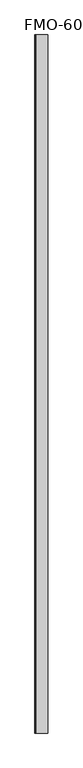
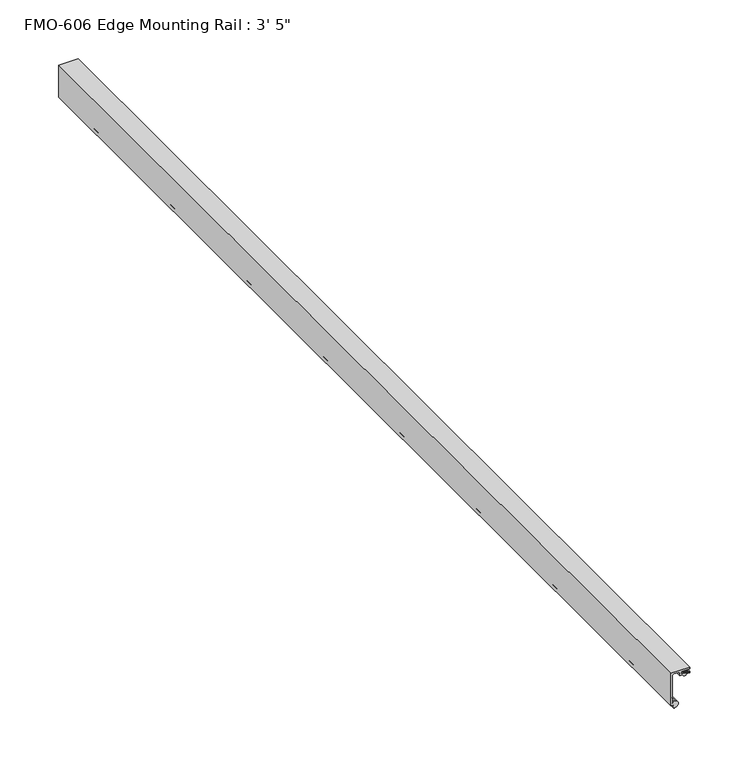
"""IFC4 building model written with IfcOpenShell, lengths in millimetres: proxy geometry."""

from ifc_helpers import new_model, si_unit, point, frame, frame_2d, origin, place, context, project, spatial, polyline, circle_curve, trimmed, segment, composite_curve, outline, extrude, source, transform, mapped, element, save


def proxy_4c382395(model_context):
    return source(origin(), model_context, "Body", "SweptSolid", [
        extrude(outline(composite_curve([segment(polyline([(48.6176322, 35.9236997), (48.6176322, 37.2312618)]), True, "CONTINUOUS"), segment(trimmed(circle_curve(frame_2d((47.0301322, 37.2312618)), 1.5875), [point((48.6176322, 37.2312618))], [point((47.0301322, 38.8187618))], True, "CARTESIAN"), True, "CONTINUOUS"), segment(polyline([(47.0301322, 38.8187618), (45.4574179, 38.8187618)]), True, "CONTINUOUS"), segment(trimmed(circle_curve(frame_2d((45.3336793, 39.2059792)), 0.4065077), [point((45.4574179, 38.8187618))], [point((45.0751662, 39.5196981))], False, "CARTESIAN"), True, "CONTINUOUS"), segment(polyline([(45.0751662, 39.5196981), (45.6413154, 41.3336309)]), True, "CONTINUOUS"), segment(trimmed(circle_curve(frame_2d((48.550892, 40.4255188)), 3.048), [point((45.6413154, 41.3336309))], [point((46.963392, 43.0274696))], False, "CARTESIAN"), True, "CONTINUOUS"), segment(trimmed(circle_curve(frame_2d((48.550892, 40.4255188)), 3.048), [point((46.963392, 43.0274696))], [point((51.4604687, 41.3336309))], False, "CARTESIAN"), True, "CONTINUOUS"), segment(polyline([(51.4604687, 41.3336309), (52.0728086, 39.3717038)]), True, "CONTINUOUS"), segment(trimmed(circle_curve(frame_2d((51.7314825, 39.1572577)), 0.4031012), [point((52.0728086, 39.3717038))], [point((51.5637963, 38.7906899))], False, "CARTESIAN"), True, "CONTINUOUS"), segment(polyline([(51.5637963, 38.7906899), (50.7457603, 38.6978589)]), True, "CONTINUOUS"), segment(trimmed(circle_curve(frame_2d((51.1576322, 38.0567618)), 0.762), [point((50.7457603, 38.6978589))], [point((50.3959129, 38.036083))], True, "CARTESIAN"), True, "CONTINUOUS"), segment(trimmed(circle_curve(frame_2d((50.9036322, 38.0191997)), 0.508), [point((50.3959129, 38.036083))], [point((50.9036322, 37.5111997))], True, "CARTESIAN"), True, "CONTINUOUS"), segment(polyline([(50.9036322, 37.5111997), (55.0841934, 37.4984997), (55.7538908, 37.0800263), (56.7754428, 37.0800263), (57.4451402, 37.4984997), (78.870502, 37.4984997)]), True, "CONTINUOUS"), segment(trimmed(circle_curve(frame_2d((78.870502, 39.0859997)), 1.5875), [point((78.870502, 37.4984997))], [point((80.458002, 39.0859997))], True, "CARTESIAN"), True, "CONTINUOUS"), segment(polyline([(80.458002, 39.0859997), (80.458002, 43.2261997)]), True, "CONTINUOUS"), segment(trimmed(circle_curve(frame_2d((78.870502, 43.2261997)), 1.5875), [point((80.458002, 43.2261997))], [point((78.870502, 44.8136997))], True, "CARTESIAN"), True, "CONTINUOUS"), segment(polyline([(78.870502, 44.8136997), (76.343202, 44.8136997), (76.343202, 48.0013997)]), True, "CONTINUOUS"), segment(trimmed(circle_curve(frame_2d((76.343202, 49.5761997)), 1.5748), [point((76.343202, 48.0013997))], [point((76.343202, 51.1509997))], False, "CARTESIAN"), True, "CONTINUOUS"), segment(polyline([(76.343202, 51.1509997), (76.343202, 54.9736997), (77.918002, 54.9736997), (77.6804202, 54.1966046), (77.9009523, 53.4275178), (77.6722723, 52.6795393), (77.935601, 51.9147774), (77.6710038, 51.1463315), (77.9266166, 50.4039781), (77.6615406, 49.6341415), (77.9209183, 48.880854), (77.6587932, 48.1195874), (77.9184396, 47.2703222), (77.6633884, 46.5295997), (80.8121702, 46.5295997), (80.4520495, 47.2363764), (80.7141746, 47.9976431), (80.454797, 48.7509306), (80.719873, 49.5207671), (80.4642602, 50.2631205), (80.7288573, 51.0315664), (80.4655286, 51.7963284), (80.6942086, 52.5443068), (80.4736765, 53.3133936), (80.7112583, 54.0904887), (80.4580017, 54.9736997), (82.032802, 54.9736997), (82.032802, 35.9236997), (48.6176322, 35.9236997)]), True, "CONTINUOUS")], self_intersect=False)), frame((0.0, -966.1500904, 0.0), z_axis=(0.0, 1.0, 0.0), x_axis=(0.0, 0.0, 1.0)), (0.0, 0.0, 1.0), 1041.4),
    ])


if __name__ == "__main__":
    model = new_model("IFC4")
    model_context = context("Model", 3, world=origin())
    ifc_project = project(units=[si_unit("LENGTHUNIT", "METRE", prefix="MILLI")], contexts=[model_context])
    site = spatial("IfcSite", under=ifc_project)
    building = spatial("IfcBuilding", under=site)
    placement = place(None, origin())
    proxy_shape = proxy_4c382395(model_context)
    element("IfcBuildingElementProxy", 1, Name="FMO-606 Edge Mounting Rail : 3' 5\"", ObjectType="FMO-606 Edge Mounting Rail : 3' 5\"", at=placement, inside=building, context=model_context, shape_type="MappedRepresentation", body=[
        mapped(proxy_shape, transform((0.0, 0.0, 0.0), x_axis=(1.0, 0.0, 0.0), y_axis=(0.0, 1.0, 0.0), z_axis=(0.0, 0.0, 1.0))),
    ])
    save(model, "model.ifc")
